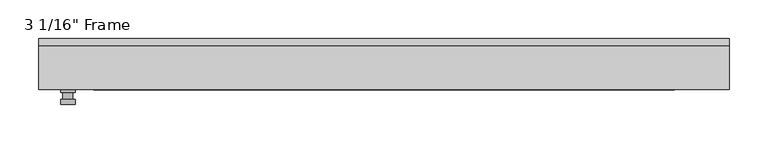
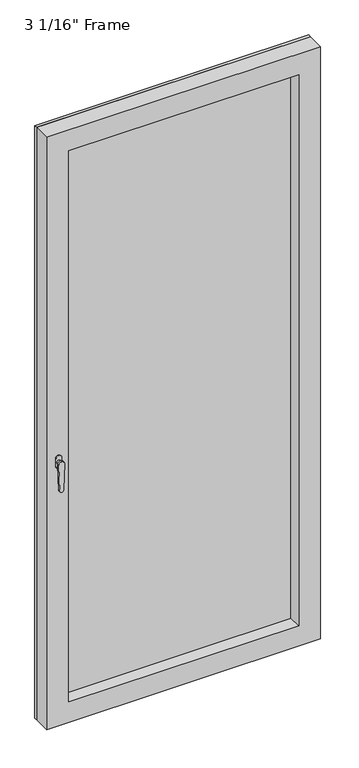
"""IFC4 building model written with IfcOpenShell, lengths in millimetres: plate geometry."""

from ifc_helpers import new_model, si_unit, frame, origin, place, context, project, spatial, polyline, circle_curve, outline, extrude, faceted_brep, source, transform, mapped, element, save
from ifc_brep_helpers import plane_surface, cylinder_surface, advanced_brep


def plate_f87608fb(model_context):
    return source(origin(), model_context, "Body", "SolidModel", [
        advanced_brep(
        [(-400.685, -33.3375, 927.1), (-400.685, -33.3375, 901.7), (-419.735, -33.3375, 901.7), (-419.735, -33.3375, 927.1), (-403.86, -46.0375, 914.4), (-416.56, -46.0375, 914.4), (-416.56, -36.5125, 914.4), (-403.86, -36.5125, 914.4), (-400.685, -46.0375, 914.4), (-403.8640356, -46.0375, 825.2736467), (-416.5559644, -46.0375, 825.2736467), (-419.735, -46.0375, 914.4), (-400.685, -52.3875, 914.4), (-419.735, -52.3875, 914.4), (-416.5559644, -52.3875, 825.2736467), (-403.8640356, -52.3875, 825.2736467), (-400.685, -36.5125, 927.1), (-419.735, -36.5125, 927.1), (-419.735, -36.5125, 901.7), (-400.685, -36.5125, 901.7)],
        [
            (0, 1),
            (1, 2, circle_curve(frame((-410.21, -33.3375, 901.7), z_axis=(0.0, 1.0, 0.0), x_axis=(-1.0, 0.0, 0.0)), 9.525)),
            (2, 3),
            (3, 0, circle_curve(frame((-410.21, -33.3375, 927.1), z_axis=(0.0, 1.0, 0.0), x_axis=(-1.0, 0.0, 0.0)), 9.525)),
            (4, 5, circle_curve(frame((-410.21, -46.0375, 914.4), z_axis=(0.0, 1.0, 0.0), x_axis=(-1.0, 0.0, 0.0)), 6.35)),
            (5, 6),
            (6, 7, circle_curve(frame((-410.21, -36.5125, 914.4), z_axis=(0.0, -1.0, 0.0), x_axis=(-1.0, 0.0, 0.0)), 6.35)),
            (7, 4),
            (5, 4, circle_curve(frame((-410.21, -46.0375, 914.4), z_axis=(0.0, 1.0, 0.0), x_axis=(-1.0, 0.0, 0.0)), 6.35)),
            (7, 6, circle_curve(frame((-410.21, -36.5125, 914.4), z_axis=(0.0, -1.0, 0.0), x_axis=(-1.0, 0.0, 0.0)), 6.35)),
            (8, 9),
            (9, 10, circle_curve(frame((-410.21, -46.0375, 825.5), z_axis=(0.0, 1.0, 0.0), x_axis=(-1.0, 0.0, 0.0)), 6.35)),
            (10, 11),
            (11, 8, circle_curve(frame((-410.21, -46.0375, 914.4), z_axis=(0.0, 1.0, 0.0), x_axis=(-1.0, 0.0, 0.0)), 9.525)),
            (12, 13, circle_curve(frame((-410.21, -52.3875, 914.4), z_axis=(0.0, -1.0, 0.0), x_axis=(-1.0, 0.0, 0.0)), 9.525)),
            (13, 14),
            (14, 15, circle_curve(frame((-410.21, -52.3875, 825.5), z_axis=(0.0, -1.0, 0.0), x_axis=(-1.0, 0.0, 0.0)), 6.35)),
            (15, 12),
            (8, 12),
            (15, 9),
            (14, 10),
            (13, 11),
            (16, 17, circle_curve(frame((-410.21, -36.5125, 927.1), z_axis=(0.0, -1.0, 0.0), x_axis=(-1.0, 0.0, 0.0)), 9.525)),
            (17, 18),
            (18, 19, circle_curve(frame((-410.21, -36.5125, 901.7), z_axis=(0.0, -1.0, 0.0), x_axis=(-1.0, 0.0, 0.0)), 9.525)),
            (19, 16),
            (0, 16),
            (19, 1),
            (18, 2),
            (17, 3),
        ],
        [
            plane_surface(frame((-416.56, -33.3375, 914.4), z_axis=(0.0, 1.0, 0.0), x_axis=(0.0, 0.0, 1.0))),
            cylinder_surface(frame((-410.21, -46.0375, 914.4), z_axis=(0.0, 1.0, 0.0), x_axis=(-1.0, 0.0, 0.0)), 6.35),
            plane_surface(frame((-400.685, -46.0375, 914.4), z_axis=(0.0, 1.0000000000000002, 0.0), x_axis=(-0.03564619348186888, 0.0, -0.9993644724975235))),
            plane_surface(frame((-400.685, -52.3875, 914.4), z_axis=(0.0, -1.0000000000000002, 0.0), x_axis=(0.03564619348186888, 0.0, 0.9993644724975235))),
            plane_surface(frame((-400.685, -46.0375, 914.4), z_axis=(0.9993644724975235, 0.0, -0.03564619348186888), x_axis=(0.0, -1.0, 0.0))),
            cylinder_surface(frame((-410.21, -52.3875, 825.5), z_axis=(0.0, 1.0, 0.0), x_axis=(-1.0, 0.0, 0.0)), 6.35),
            plane_surface(frame((-416.5559644, -46.0375, 825.2736467), z_axis=(-0.9993644724975228, 0.0, -0.03564619348188612), x_axis=(0.0, -1.0, 0.0))),
            cylinder_surface(frame((-410.21, -52.3875, 914.4), z_axis=(0.0, 1.0, 0.0), x_axis=(-1.0, 0.0, 0.0)), 9.525),
            plane_surface(frame((-400.685, -36.5125, 901.7), z_axis=(0.0, -1.0, 0.0), x_axis=(0.0, 0.0, 1.0))),
            plane_surface(frame((-400.685, -33.3375, 927.1), z_axis=(1.0, 0.0, 0.0), x_axis=(0.0, -1.0, 0.0))),
            cylinder_surface(frame((-410.21, -36.5125, 901.7), z_axis=(0.0, 1.0, 0.0), x_axis=(-1.0, 0.0, 0.0)), 9.525),
            plane_surface(frame((-419.735, -33.3375, 901.7), z_axis=(-1.0, 0.0, 0.0), x_axis=(0.0, -1.0, 0.0))),
            cylinder_surface(frame((-410.21, -36.5125, 927.1), z_axis=(0.0, 1.0, 0.0), x_axis=(-1.0, 0.0, 0.0)), 9.525),
        ],
        [
            (0, [[1, 2, 3, 4]]),
            (1, [[5, 6, 7, 8]]),
            (1, [[9, -8, 10, -6]]),
            (2, [[11, 12, 13, 14], [-5, -9]]),
            (3, [[15, 16, 17, 18]]),
            (4, [[-11, 19, -18, 20]]),
            (5, [[-12, -20, -17, 21]]),
            (6, [[-13, -21, -16, 22]]),
            (7, [[-14, -22, -15, -19]]),
            (8, [[23, 24, 25, 26], [-7, -10]]),
            (9, [[-1, 27, -26, 28]]),
            (10, [[-2, -28, -25, 29]]),
            (11, [[-3, -29, -24, 30]]),
            (12, [[-4, -30, -23, -27]]),
        ],
    ),
        extrude(outline(polyline([(0.0, -448.31), (0.0, 448.31), (2047.875, 448.31), (2047.875, -448.31), (0.0, -448.31)]), holes=[polyline([(1970.0875, -370.5225), (1970.0875, 370.5225), (77.7875, 370.5225), (77.7875, -370.5225), (1970.0875, -370.5225)])]), frame((0.0, 23.8125, 0.0), z_axis=(0.0, 1.0, 0.0), x_axis=(0.0, 0.0, 1.0)), (0.0, 0.0, 1.0), 9.525),
        faceted_brep([(-448.31, -33.3375, 0.0), (-448.31, 23.8125, 0.0), (448.31, 23.8125, 0.0), (448.31, -33.3375, 0.0), (-448.31, -33.3375, 2047.875), (-448.31, 23.8125, 2047.875), (448.31, 23.8125, 2047.875), (-383.2225, 23.8125, 1982.7875), (-383.2225, 23.8125, 65.0875), (383.2225, 23.8125, 65.0875), (383.2225, 23.8125, 1982.7875), (-383.2225, 0.0, 1982.7875), (-383.2225, 0.0, 65.0875), (383.2225, 0.0, 1982.7875), (383.2225, 0.0, 65.0875), (-370.5225, 0.0, 1970.0875), (-370.5225, 0.0, 77.7875), (370.5225, 0.0, 77.7875), (370.5225, 0.0, 1970.0875), (-376.8725, -33.3375, 1976.4375), (-376.8725, -33.3375, 71.4375), (448.31, -33.3375, 2047.875), (376.8725, -33.3375, 1976.4375), (376.8725, -33.3375, 71.4375)], [[[0, 1, 2, 3]], [[1, 0, 4, 5]], [[2, 1, 5, 6], [7, 8, 9, 10]], [[7, 11, 12, 8]], [[11, 13, 14, 12], [15, 16, 17, 18]], [[15, 19, 20, 16]], [[4, 0, 3, 21], [22, 23, 20, 19]], [[5, 4, 21, 6]], [[7, 10, 13, 11]], [[15, 18, 22, 19]], [[2, 6, 21, 3]], [[14, 13, 10, 9]], [[22, 18, 17, 23]], [[20, 23, 17, 16]], [[9, 8, 12, 14]]]),
        extrude(outline(polyline([(383.2225, 0.0), (-383.2225, 0.0), (-383.2225, 23.8125), (383.2225, 23.8125), (383.2225, 0.0)])), frame((0.0, 0.0, 65.0875), z_axis=(0.0, 0.0, 1.0), x_axis=(1.0, 0.0, 0.0)), (0.0, 0.0, 1.0), 1917.7),
    ])


if __name__ == "__main__":
    model = new_model("IFC4")
    model_context = context("Model", 3, world=origin())
    ifc_project = project(units=[si_unit("LENGTHUNIT", "METRE", prefix="MILLI")], contexts=[model_context])
    site = spatial("IfcSite", under=ifc_project)
    building = spatial("IfcBuilding", under=site)
    placement = place(None, origin())
    plate_shape = plate_f87608fb(model_context)
    element("IfcPlate", 1, ObjectType="3 1/16\" Frame", at=placement, inside=building, context=model_context, shape_type="MappedRepresentation", body=[
        mapped(plate_shape, transform((0.0, 0.0, 0.0), x_axis=(1.0, 0.0, 0.0), y_axis=(0.0, 1.0, 0.0), z_axis=(0.0, 0.0, 1.0))),
    ])
    save(model, "model.ifc")
